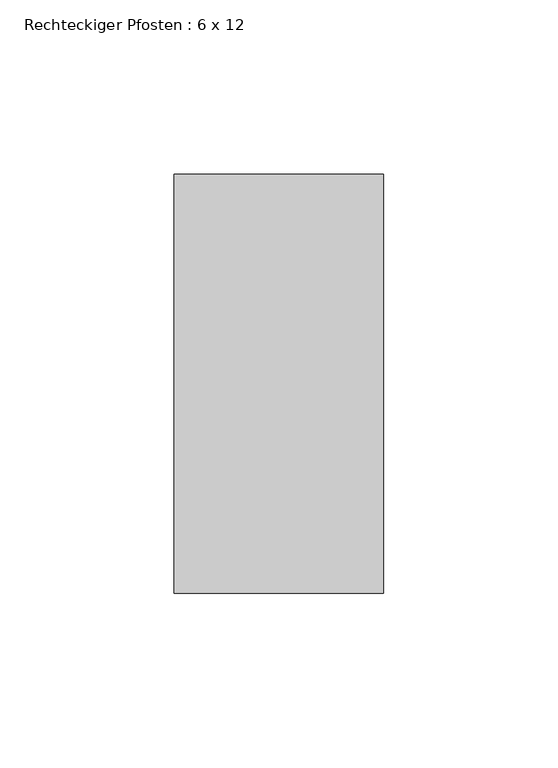
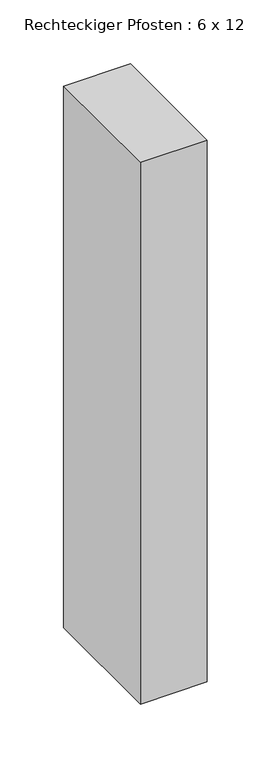
"""IFC4 building model written with IfcOpenShell, lengths in millimetres: member geometry, Rechteckiger Pfosten : 6 x 12."""

from ifc_helpers import new_model, si_unit, frame, origin, place, context, project, spatial, polyline, outline, extrude, source, transform, mapped, element, save


def rechteckiger_pfosten_6_x_12_8ba85396(model_context):
    return source(origin(), model_context, "Body", "SweptSolid", [
        extrude(outline(polyline([(0.0, 60.0), (0.0, -60.0), (-60.0, -60.0), (-60.0, 60.0), (0.0, 60.0)])), frame((0.0, 0.0, -516.6666667), z_axis=(0.0, 0.0, 1.0), x_axis=(1.0, 0.0, 0.0)), (0.0, 0.0, 1.0), 516.6666667),
    ])


if __name__ == "__main__":
    model = new_model("IFC4")
    model_context = context("Model", 3, world=origin())
    ifc_project = project(units=[si_unit("LENGTHUNIT", "METRE", prefix="MILLI")], contexts=[model_context])
    site = spatial("IfcSite", under=ifc_project)
    building = spatial("IfcBuilding", under=site)
    placement = place(None, origin())
    rechteckiger_pfosten_6_x_12_shape = rechteckiger_pfosten_6_x_12_8ba85396(model_context)
    element("IfcMember", 1, ObjectType="Rechteckiger Pfosten : 6 x 12", at=placement, inside=building, context=model_context, shape_type="MappedRepresentation", body=[
        mapped(rechteckiger_pfosten_6_x_12_shape, transform((0.0, 0.0, 0.0), x_axis=(1.0, 0.0, 0.0), y_axis=(0.0, 1.0, 0.0), z_axis=(0.0, 0.0, 1.0))),
    ])
    save(model, "model.ifc")
